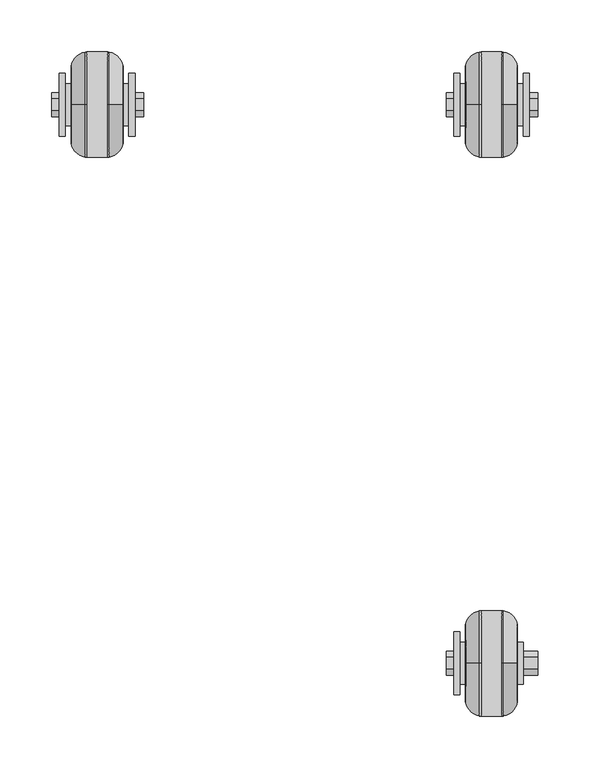
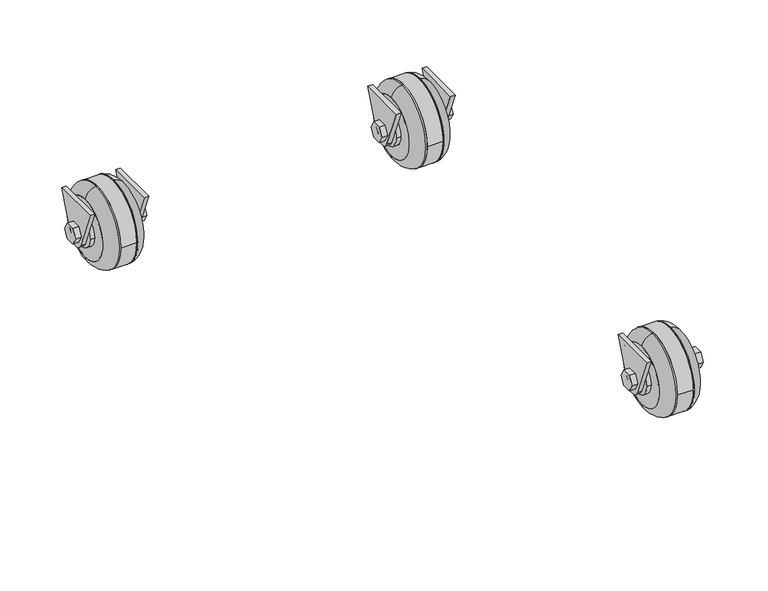
"""IFC4 building model written with IfcOpenShell, lengths in millimetres: proxy geometry."""

from ifc_helpers import new_model, si_unit, point, frame, frame_2d, origin, place, context, project, spatial, polyline, circle_curve, ellipse_curve, trimmed, segment, composite_curve, outline, extrude, source, transform, mapped, element, save
from ifc_brep_helpers import plane_surface, cylinder_surface, revolved_surface, advanced_brep


def specialty_equipment_d74d6e09(model_context):
    return source(origin(), model_context, "Body", "SolidModel", [
        advanced_brep(
        [(159.3510111, -264.6963629, 38.5301868), (159.3510111, -244.0818479, 38.5301868), (159.3510111, -223.9450259, 89.99205), (159.3510111, -284.833185, 89.99205), (159.3510111, -248.5494562, 60.8478792), (159.3510111, -242.709807, 50.7333101), (159.3510111, -248.5494562, 40.618741), (159.3510111, -260.2287546, 40.618741), (159.3510111, -266.0684038, 50.7333101), (159.3510111, -260.2287546, 60.8478792), (153.4709, -264.7060741, 38.525975), (153.4709, -284.833185, 89.99205), (153.4709, -223.9450259, 89.99205), (153.4709, -244.0721367, 38.525975), (153.4709, -248.5494562, 60.8478792), (153.4709, -260.2287546, 60.8478792), (153.4709, -266.0684038, 50.7333101), (153.4709, -260.2287546, 40.618741), (153.4709, -248.5494562, 40.618741), (153.4709, -242.709807, 50.7333101)],
        [
            (0, 1, circle_curve(frame((159.3510111, -254.3891054, 43.0005277), z_axis=(1.0, 0.0, 0.0), x_axis=(0.0, 1.0, 0.0)), 11.2349234)),
            (1, 2),
            (2, 3),
            (3, 0),
            (4, 5),
            (5, 6),
            (6, 7),
            (7, 8),
            (8, 9),
            (9, 4),
            (10, 11),
            (11, 12),
            (12, 13),
            (13, 10, circle_curve(frame((153.4709, -254.3891054, 43.0005277), z_axis=(-1.0, 0.0, 0.0), x_axis=(0.0, 1.0, 0.0)), 11.2349234)),
            (14, 15),
            (15, 16),
            (16, 17),
            (17, 18),
            (18, 19),
            (19, 14),
            (3, 11),
            (10, 0),
            (2, 12),
            (1, 13),
            (9, 15),
            (14, 4),
            (8, 16),
            (7, 17),
            (6, 18),
            (5, 19),
        ],
        [
            plane_surface(frame((159.3510111, -284.833185, 89.99205), z_axis=(1.0, 0.0, 0.0), x_axis=(0.0, -0.36421435293673643, 0.9313151481184414))),
            plane_surface(frame((153.4709, -284.833185, 89.99205), z_axis=(-1.0, 0.0, 0.0), x_axis=(0.0, 0.36421435293673643, -0.9313151481184414))),
            plane_surface(frame((159.3510111, -264.7060741, 38.525975), z_axis=(0.0, -0.9313151481184414, -0.36421435293673643), x_axis=(-1.0, 0.0, 0.0))),
            plane_surface(frame((159.3510111, -284.833185, 89.99205), z_axis=(0.0, 0.0, 1.0), x_axis=(-1.0, 0.0, 0.0))),
            plane_surface(frame((159.3510111, -223.9450259, 89.99205), z_axis=(0.0, 0.9313151481185085, -0.36421435293656496), x_axis=(-1.0, 0.0, 0.0))),
            cylinder_surface(frame((153.4709, -254.3891054, 43.0005277), z_axis=(1.0, 0.0, 0.0), x_axis=(0.0, 1.0, 0.0)), 11.2349234),
            plane_surface(frame((159.3510111, -248.5494562, 60.8478792), z_axis=(0.0, 0.0, -1.0), x_axis=(-1.0, 0.0, 0.0))),
            plane_surface(frame((159.3510111, -260.2287546, 60.8478792), z_axis=(0.0, 0.8660254037843047, -0.5000000000002323), x_axis=(-1.0, 0.0, 0.0))),
            plane_surface(frame((159.3510111, -266.0684038, 50.7333101), z_axis=(0.0, 0.8660254037842656, 0.5000000000002996), x_axis=(-1.0, 0.0, 0.0))),
            plane_surface(frame((159.3510111, -260.2287546, 40.618741), z_axis=(0.0, 0.0, 1.0), x_axis=(-1.0, 0.0, 0.0))),
            plane_surface(frame((159.3510111, -248.5494562, 40.618741), z_axis=(0.0, -0.8660254037842644, 0.5000000000003018), x_axis=(-1.0, 0.0, 0.0))),
            plane_surface(frame((159.3510111, -242.709807, 50.7333101), z_axis=(0.0, -0.8660254037843034, -0.5000000000002345), x_axis=(-1.0, 0.0, 0.0))),
        ],
        [
            (0, [[1, 2, 3, 4], [5, 6, 7, 8, 9, 10]]),
            (1, [[11, 12, 13, 14], [15, 16, 17, 18, 19, 20]]),
            (2, [[21, -11, 22, -4]]),
            (3, [[23, -12, -21, -3]]),
            (4, [[24, -13, -23, -2]]),
            (5, [[-22, -14, -24, -1]]),
            (6, [[25, -15, 26, -10]]),
            (7, [[27, -16, -25, -9]]),
            (8, [[28, -17, -27, -8]]),
            (9, [[29, -18, -28, -7]]),
            (10, [[30, -19, -29, -6]]),
            (11, [[-26, -20, -30, -5]]),
        ],
    ),
        extrude(outline(composite_curve([segment(trimmed(circle_curve(frame_2d((-254.3891054, 50.7333101)), 20.2039105), [point((-274.593016, 50.7333101))], [point((-234.1851949, 50.7333101))], False, "CARTESIAN"), True, "CONTINUOUS"), segment(trimmed(circle_curve(frame_2d((-254.3891054, 50.7333101)), 20.2039105), [point((-234.1851949, 50.7333101))], [point((-274.593016, 50.7333101))], False, "CARTESIAN"), True, "CONTINUOUS")], self_intersect=False)), frame((159.3510111, 0.0, 0.0), z_axis=(1.0, 0.0, 0.0), x_axis=(0.0, 1.0, 0.0)), (0.0, 0.0, 1.0), 61.1531556),
        extrude(outline(polyline([(-242.709807, 50.7333101), (-248.5494562, 40.618741), (-260.2287546, 40.618741), (-266.0684038, 50.7333101), (-260.2287546, 60.8478792), (-248.5494562, 60.8478792), (-242.709807, 50.7333101)])), frame((146.4147667, 0.0, 0.0), z_axis=(1.0, 0.0, 0.0), x_axis=(0.0, 1.0, 0.0)), (0.0, 0.0, 1.0), 88.2016667),
        extrude(outline(composite_curve([segment(trimmed(circle_curve(frame_2d((-254.3891054, 51.17195)), 37.6437333), [point((-254.3891054, 13.5282167))], [point((-254.3891054, 88.8156833))], False, "CARTESIAN"), True, "CONTINUOUS"), segment(trimmed(circle_curve(frame_2d((-254.3891054, 51.17195)), 37.6437333), [point((-254.3891054, 88.8156833))], [point((-254.3891054, 13.5282167))], False, "CARTESIAN"), True, "CONTINUOUS")], self_intersect=False), holes=[composite_curve([segment(trimmed(circle_curve(frame_2d((-254.3891054, 50.7333101)), 20.2039105), [point((-274.593016, 50.7333101))], [point((-234.1851949, 50.7333101))], True, "CARTESIAN"), True, "CONTINUOUS"), segment(trimmed(circle_curve(frame_2d((-254.3891054, 50.7333101)), 20.2039105), [point((-234.1851949, 50.7333101))], [point((-274.593016, 50.7333101))], True, "CARTESIAN"), True, "CONTINUOUS")], self_intersect=False)]), frame((164.9371167, 0.0, 0.0), z_axis=(1.0, 0.0, 0.0), x_axis=(0.0, 1.0, 0.0)), (0.0, 0.0, 1.0), 49.9809444),
        advanced_brep(
        [(214.9180611, -254.3891054, 87.8717833), (201.3938056, -254.3891054, 101.4), (201.3938056, -254.3891054, 0.0), (214.9180611, -254.3891054, 13.5282167), (199.9237778, -254.3891054, 87.8717833), (199.9237778, -254.3891054, 13.5282167), (199.9237778, -254.3891054, 101.4), (199.9237778, -254.3891054, 0.0)],
        [
            (0, 1, circle_curve(frame((199.1270173, -254.3891054, 85.6096194), z_axis=(0.0, -1.0, 0.0), x_axis=(-1.0, 0.0, 0.0)), 15.9522553)),
            (1, 2, circle_curve(frame((201.3938056, -254.3891054, 50.7), z_axis=(1.0, 0.0, 0.0), x_axis=(0.0, 0.0, -1.0)), 50.7)),
            (2, 3, circle_curve(frame((199.1270173, -254.3891054, 15.7903806), z_axis=(0.0, -1.0, 0.0), x_axis=(-1.0, 0.0, 0.0)), 15.9522553)),
            (3, 0, circle_curve(frame((214.9180611, -254.3891054, 50.7), z_axis=(-1.0, 0.0, 0.0), x_axis=(0.0, 0.0, -1.0)), 37.1717833)),
            (2, 1, circle_curve(frame((201.3938056, -254.3891054, 50.7), z_axis=(1.0, 0.0, 0.0), x_axis=(0.0, 0.0, -1.0)), 50.7)),
            (0, 3, circle_curve(frame((214.9180611, -254.3891054, 50.7), z_axis=(-1.0, 0.0, 0.0), x_axis=(0.0, 0.0, -1.0)), 37.1717833)),
            (4, 0),
            (3, 5),
            (5, 4, circle_curve(frame((199.9237778, -254.3891054, 50.7), z_axis=(-1.0, 0.0, 0.0), x_axis=(0.0, 0.0, -1.0)), 37.1717833)),
            (4, 5, circle_curve(frame((199.9237778, -254.3891054, 50.7), z_axis=(-1.0, 0.0, 0.0), x_axis=(0.0, 0.0, -1.0)), 37.1717833)),
            (6, 4),
            (5, 7),
            (7, 6, circle_curve(frame((199.9237778, -254.3891054, 50.7), z_axis=(-1.0, 0.0, 0.0), x_axis=(0.0, 0.0, -1.0)), 50.7)),
            (6, 7, circle_curve(frame((199.9237778, -254.3891054, 50.7), z_axis=(-1.0, 0.0, 0.0), x_axis=(0.0, 0.0, -1.0)), 50.7)),
            (1, 6),
            (7, 2),
        ],
        [
            revolved_surface(trimmed(ellipse_curve(frame((199.1270173, -254.3891054, 15.7903806), z_axis=(0.0, -1.0, 0.0), x_axis=(-1.0, 0.0, 0.0)), 15.9522553, 15.9522553), [point((201.3938056, -254.3891054, 0.0))], [point((214.9180611, -254.3891054, 13.5282167))], True, "CARTESIAN"), (234.6164333, -254.3891054, 50.7), (1.0, 0.0, 0.0)),
            revolved_surface(polyline([(214.9180611, -254.3891054, 13.528216700000002), (199.9237778, -254.3891054, 13.528216700000002)]), (234.6164333, -254.3891054, 50.7), (1.0, 0.0, 0.0)),
            plane_surface(frame((199.9237778, -254.3891054, 50.7), z_axis=(-1.0, 0.0, 0.0), x_axis=(0.0, 0.0, -1.0))),
            cylinder_surface(frame((234.6164333, -254.3891054, 50.7), z_axis=(1.0, 0.0, 0.0), x_axis=(0.0, 0.0, -1.0)), 50.7),
        ],
        [
            (0, [[1, 2, 3, 4]]),
            (0, [[-3, 5, -1, 6]]),
            (1, [[7, -4, 8, 9]]),
            (1, [[-8, -6, -7, 10]]),
            (2, [[11, -9, 12, 13]]),
            (2, [[-12, -10, -11, 14]]),
            (3, [[15, -13, 16, -2]]),
            (3, [[-16, -14, -15, -5]]),
        ],
    ),
        advanced_brep(
        [(179.9314, -254.3891054, 101.4), (178.4613722, -254.3891054, 101.4), (178.4613722, -254.3891054, 0.0), (179.9314, -254.3891054, 0.0), (179.9314, -254.3891054, 87.8717833), (179.9314, -254.3891054, 13.5282167), (164.9371167, -254.3891054, 87.8717833), (164.9371167, -254.3891054, 13.5282167)],
        [
            (0, 1),
            (1, 2, circle_curve(frame((178.4613722, -254.3891054, 50.7), z_axis=(1.0, 0.0, 0.0), x_axis=(0.0, 0.0, -1.0)), 50.7)),
            (2, 3),
            (3, 0, circle_curve(frame((179.9314, -254.3891054, 50.7), z_axis=(-1.0, 0.0, 0.0), x_axis=(0.0, 0.0, -1.0)), 50.7)),
            (2, 1, circle_curve(frame((178.4613722, -254.3891054, 50.7), z_axis=(1.0, 0.0, 0.0), x_axis=(0.0, 0.0, -1.0)), 50.7)),
            (0, 3, circle_curve(frame((179.9314, -254.3891054, 50.7), z_axis=(-1.0, 0.0, 0.0), x_axis=(0.0, 0.0, -1.0)), 50.7)),
            (4, 0),
            (3, 5),
            (5, 4, circle_curve(frame((179.9314, -254.3891054, 50.7), z_axis=(-1.0, 0.0, 0.0), x_axis=(0.0, 0.0, -1.0)), 37.1717833)),
            (4, 5, circle_curve(frame((179.9314, -254.3891054, 50.7), z_axis=(-1.0, 0.0, 0.0), x_axis=(0.0, 0.0, -1.0)), 37.1717833)),
            (6, 4),
            (5, 7),
            (7, 6, circle_curve(frame((164.9371167, -254.3891054, 50.7), z_axis=(-1.0, 0.0, 0.0), x_axis=(0.0, 0.0, -1.0)), 37.1717833)),
            (6, 7, circle_curve(frame((164.9371167, -254.3891054, 50.7), z_axis=(-1.0, 0.0, 0.0), x_axis=(0.0, 0.0, -1.0)), 37.1717833)),
            (1, 6, circle_curve(frame((180.7281604, -254.3891054, 85.6096194), z_axis=(0.0, -1.0, 0.0), x_axis=(1.0, 0.0, 0.0)), 15.9522553)),
            (7, 2, circle_curve(frame((180.7281604, -254.3891054, 15.7903806), z_axis=(0.0, -1.0, 0.0), x_axis=(1.0, 0.0, 0.0)), 15.9522553)),
        ],
        [
            cylinder_surface(frame((234.6164333, -254.3891054, 50.7), z_axis=(1.0, 0.0, 0.0), x_axis=(0.0, 0.0, -1.0)), 50.7),
            plane_surface(frame((179.9314, -254.3891054, 50.7), z_axis=(1.0, 0.0, 0.0), x_axis=(0.0, 0.0, -1.0))),
            revolved_surface(polyline([(179.9314, -254.3891054, 13.528216700000002), (164.9371167, -254.3891054, 13.528216700000002)]), (234.6164333, -254.3891054, 50.7), (1.0, 0.0, 0.0)),
            revolved_surface(trimmed(ellipse_curve(frame((180.7281604, -254.3891054, 15.7903806), z_axis=(0.0, -1.0, 0.0), x_axis=(1.0, 0.0, 0.0)), 15.9522553, 15.9522553), [point((164.9371167, -254.3891054, 13.5282167))], [point((178.4613722, -254.3891054, 0.0))], True, "CARTESIAN"), (234.6164333, -254.3891054, 50.7), (1.0, 0.0, 0.0)),
        ],
        [
            (0, [[1, 2, 3, 4]]),
            (0, [[-3, 5, -1, 6]]),
            (1, [[7, -4, 8, 9]]),
            (1, [[-8, -6, -7, 10]]),
            (2, [[11, -9, 12, 13]]),
            (2, [[-12, -10, -11, 14]]),
            (3, [[15, -13, 16, -2]]),
            (3, [[-16, -14, -15, -5]]),
        ],
    ),
        extrude(outline(composite_curve([segment(trimmed(circle_curve(frame_2d((-254.3891054, 50.7333101)), 50.7275853), [point((-305.1166907, 50.7333101))], [point((-203.6615201, 50.7333101))], False, "CARTESIAN"), True, "CONTINUOUS"), segment(trimmed(circle_curve(frame_2d((-254.3891054, 50.7333101)), 50.7275853), [point((-203.6615201, 50.7333101))], [point((-305.1166907, 50.7333101))], False, "CARTESIAN"), True, "CONTINUOUS")], self_intersect=False), holes=[composite_curve([segment(trimmed(circle_curve(frame_2d((-254.3891054, 50.7333101)), 37.2275853), [point((-291.6166907, 50.7333101))], [point((-217.1615201, 50.7333101))], True, "CARTESIAN"), True, "CONTINUOUS"), segment(trimmed(circle_curve(frame_2d((-254.3891054, 50.7333101)), 37.2275853), [point((-217.1615201, 50.7333101))], [point((-291.6166907, 50.7333101))], True, "CARTESIAN"), True, "CONTINUOUS")], self_intersect=False)]), frame((179.9314, 0.0, 0.0), z_axis=(1.0, 0.0, 0.0), x_axis=(0.0, 1.0, 0.0)), (0.0, 0.0, 1.0), 19.9923778),
        advanced_brep(
        [(-153.4709, 272.8881196, 38.5301868), (-153.4709, 293.5026345, 38.5301868), (-153.4709, 313.6394566, 89.99205), (-153.4709, 252.7512975, 89.99205), (-153.4709, 289.0350263, 60.8478792), (-153.4709, 294.8746755, 50.7333101), (-153.4709, 289.0350263, 40.618741), (-153.4709, 277.3557279, 40.618741), (-153.4709, 271.5160786, 50.7333101), (-153.4709, 277.3557279, 60.8478792), (-159.3510111, 272.8784083, 38.525975), (-159.3510111, 252.7512975, 89.99205), (-159.3510111, 313.6394566, 89.99205), (-159.3510111, 293.5123458, 38.525975), (-159.3510111, 289.0350263, 60.8478792), (-159.3510111, 277.3557279, 60.8478792), (-159.3510111, 271.5160786, 50.7333101), (-159.3510111, 277.3557279, 40.618741), (-159.3510111, 289.0350263, 40.618741), (-159.3510111, 294.8746755, 50.7333101)],
        [
            (0, 1, circle_curve(frame((-153.4709, 283.1953771, 43.0005277), z_axis=(1.0, 0.0, 0.0), x_axis=(0.0, 1.0, 0.0)), 11.2349234)),
            (1, 2),
            (2, 3),
            (3, 0),
            (4, 5),
            (5, 6),
            (6, 7),
            (7, 8),
            (8, 9),
            (9, 4),
            (10, 11),
            (11, 12),
            (12, 13),
            (13, 10, circle_curve(frame((-159.3510111, 283.1953771, 43.0005277), z_axis=(-1.0, 0.0, 0.0), x_axis=(0.0, 1.0, 0.0)), 11.2349234)),
            (14, 15),
            (15, 16),
            (16, 17),
            (17, 18),
            (18, 19),
            (19, 14),
            (3, 11),
            (10, 0),
            (2, 12),
            (1, 13),
            (9, 15),
            (14, 4),
            (8, 16),
            (7, 17),
            (6, 18),
            (5, 19),
        ],
        [
            plane_surface(frame((-153.4709, 252.7512975, 89.99205), z_axis=(1.0, 0.0, 0.0), x_axis=(0.0, -0.36421435293673643, 0.9313151481184414))),
            plane_surface(frame((-159.3510111, 252.7512975, 89.99205), z_axis=(-1.0, 0.0, 0.0), x_axis=(0.0, 0.36421435293673643, -0.9313151481184414))),
            plane_surface(frame((-153.4709, 272.8784083, 38.525975), z_axis=(0.0, -0.9313151481184414, -0.36421435293673643), x_axis=(-1.0, 0.0, 0.0))),
            plane_surface(frame((-153.4709, 252.7512975, 89.99205), z_axis=(0.0, 0.0, 1.0), x_axis=(-1.0, 0.0, 0.0))),
            plane_surface(frame((-153.4709, 313.6394566, 89.99205), z_axis=(0.0, 0.9313151481185085, -0.36421435293656496), x_axis=(-1.0, 0.0, 0.0))),
            cylinder_surface(frame((-159.3510111, 283.1953771, 43.0005277), z_axis=(1.0, 0.0, 0.0), x_axis=(0.0, 1.0, 0.0)), 11.2349234),
            plane_surface(frame((-153.4709, 289.0350263, 60.8478792), z_axis=(0.0, 0.0, -1.0), x_axis=(-1.0, 0.0, 0.0))),
            plane_surface(frame((-153.4709, 277.3557279, 60.8478792), z_axis=(0.0, 0.8660254037843047, -0.5000000000002323), x_axis=(-1.0, 0.0, 0.0))),
            plane_surface(frame((-153.4709, 271.5160786, 50.7333101), z_axis=(0.0, 0.8660254037842656, 0.5000000000002996), x_axis=(-1.0, 0.0, 0.0))),
            plane_surface(frame((-153.4709, 277.3557279, 40.618741), z_axis=(0.0, 0.0, 1.0), x_axis=(-1.0, 0.0, 0.0))),
            plane_surface(frame((-153.4709, 289.0350263, 40.618741), z_axis=(0.0, -0.8660254037842644, 0.5000000000003018), x_axis=(-1.0, 0.0, 0.0))),
            plane_surface(frame((-153.4709, 294.8746755, 50.7333101), z_axis=(0.0, -0.8660254037843034, -0.5000000000002345), x_axis=(-1.0, 0.0, 0.0))),
        ],
        [
            (0, [[1, 2, 3, 4], [5, 6, 7, 8, 9, 10]]),
            (1, [[11, 12, 13, 14], [15, 16, 17, 18, 19, 20]]),
            (2, [[21, -11, 22, -4]]),
            (3, [[23, -12, -21, -3]]),
            (4, [[24, -13, -23, -2]]),
            (5, [[-22, -14, -24, -1]]),
            (6, [[25, -15, 26, -10]]),
            (7, [[27, -16, -25, -9]]),
            (8, [[28, -17, -27, -8]]),
            (9, [[29, -18, -28, -7]]),
            (10, [[30, -19, -29, -6]]),
            (11, [[-26, -20, -30, -5]]),
        ],
    ),
        advanced_brep(
        [(-220.5041667, 272.8881196, 38.5301868), (-220.5041667, 293.5026345, 38.5301868), (-220.5041667, 313.6394566, 89.99205), (-220.5041667, 252.7512975, 89.99205), (-220.5041667, 289.0350263, 60.8478792), (-220.5041667, 294.8746755, 50.7333101), (-220.5041667, 289.0350263, 40.618741), (-220.5041667, 277.3557279, 40.618741), (-220.5041667, 271.5160786, 50.7333101), (-220.5041667, 277.3557279, 60.8478792), (-226.3842778, 272.8784083, 38.525975), (-226.3842778, 252.7512975, 89.99205), (-226.3842778, 313.6394566, 89.99205), (-226.3842778, 293.5123458, 38.525975), (-226.3842778, 289.0350263, 60.8478792), (-226.3842778, 277.3557279, 60.8478792), (-226.3842778, 271.5160786, 50.7333101), (-226.3842778, 277.3557279, 40.618741), (-226.3842778, 289.0350263, 40.618741), (-226.3842778, 294.8746755, 50.7333101)],
        [
            (0, 1, circle_curve(frame((-220.5041667, 283.1953771, 43.0005277), z_axis=(1.0, 0.0, 0.0), x_axis=(0.0, 1.0, 0.0)), 11.2349234)),
            (1, 2),
            (2, 3),
            (3, 0),
            (4, 5),
            (5, 6),
            (6, 7),
            (7, 8),
            (8, 9),
            (9, 4),
            (10, 11),
            (11, 12),
            (12, 13),
            (13, 10, circle_curve(frame((-226.3842778, 283.1953771, 43.0005277), z_axis=(-1.0, 0.0, 0.0), x_axis=(0.0, 1.0, 0.0)), 11.2349234)),
            (14, 15),
            (15, 16),
            (16, 17),
            (17, 18),
            (18, 19),
            (19, 14),
            (3, 11),
            (10, 0),
            (2, 12),
            (1, 13),
            (9, 15),
            (14, 4),
            (8, 16),
            (7, 17),
            (6, 18),
            (5, 19),
        ],
        [
            plane_surface(frame((-220.5041667, 252.7512975, 89.99205), z_axis=(1.0, 0.0, 0.0), x_axis=(0.0, -0.36421435293673643, 0.9313151481184414))),
            plane_surface(frame((-226.3842778, 252.7512975, 89.99205), z_axis=(-1.0, 0.0, 0.0), x_axis=(0.0, 0.36421435293673643, -0.9313151481184414))),
            plane_surface(frame((-220.5041667, 272.8784083, 38.525975), z_axis=(0.0, -0.9313151481184414, -0.36421435293673643), x_axis=(-1.0, 0.0, 0.0))),
            plane_surface(frame((-220.5041667, 252.7512975, 89.99205), z_axis=(0.0, 0.0, 1.0), x_axis=(-1.0, 0.0, 0.0))),
            plane_surface(frame((-220.5041667, 313.6394566, 89.99205), z_axis=(0.0, 0.9313151481185085, -0.36421435293656496), x_axis=(-1.0, 0.0, 0.0))),
            cylinder_surface(frame((-226.3842778, 283.1953771, 43.0005277), z_axis=(1.0, 0.0, 0.0), x_axis=(0.0, 1.0, 0.0)), 11.2349234),
            plane_surface(frame((-220.5041667, 289.0350263, 60.8478792), z_axis=(0.0, 0.0, -1.0), x_axis=(-1.0, 0.0, 0.0))),
            plane_surface(frame((-220.5041667, 277.3557279, 60.8478792), z_axis=(0.0, 0.8660254037843047, -0.5000000000002323), x_axis=(-1.0, 0.0, 0.0))),
            plane_surface(frame((-220.5041667, 271.5160786, 50.7333101), z_axis=(0.0, 0.8660254037842656, 0.5000000000002996), x_axis=(-1.0, 0.0, 0.0))),
            plane_surface(frame((-220.5041667, 277.3557279, 40.618741), z_axis=(0.0, 0.0, 1.0), x_axis=(-1.0, 0.0, 0.0))),
            plane_surface(frame((-220.5041667, 289.0350263, 40.618741), z_axis=(0.0, -0.8660254037842644, 0.5000000000003018), x_axis=(-1.0, 0.0, 0.0))),
            plane_surface(frame((-220.5041667, 294.8746755, 50.7333101), z_axis=(0.0, -0.8660254037843034, -0.5000000000002345), x_axis=(-1.0, 0.0, 0.0))),
        ],
        [
            (0, [[1, 2, 3, 4], [5, 6, 7, 8, 9, 10]]),
            (1, [[11, 12, 13, 14], [15, 16, 17, 18, 19, 20]]),
            (2, [[21, -11, 22, -4]]),
            (3, [[23, -12, -21, -3]]),
            (4, [[24, -13, -23, -2]]),
            (5, [[-22, -14, -24, -1]]),
            (6, [[25, -15, 26, -10]]),
            (7, [[27, -16, -25, -9]]),
            (8, [[28, -17, -27, -8]]),
            (9, [[29, -18, -28, -7]]),
            (10, [[30, -19, -29, -6]]),
            (11, [[-26, -20, -30, -5]]),
        ],
    ),
        extrude(outline(composite_curve([segment(trimmed(circle_curve(frame_2d((283.1953771, 50.7333101)), 20.2039105), [point((262.9914665, 50.7333101))], [point((303.3992876, 50.7333101))], False, "CARTESIAN"), True, "CONTINUOUS"), segment(trimmed(circle_curve(frame_2d((283.1953771, 50.7333101)), 20.2039105), [point((303.3992876, 50.7333101))], [point((262.9914665, 50.7333101))], False, "CARTESIAN"), True, "CONTINUOUS")], self_intersect=False)), frame((-220.5041667, 0.0, 0.0), z_axis=(1.0, 0.0, 0.0), x_axis=(0.0, 1.0, 0.0)), (0.0, 0.0, 1.0), 61.1531556),
        extrude(outline(polyline([(294.8746755, 50.7333101), (289.0350263, 40.618741), (277.3557279, 40.618741), (271.5160786, 50.7333101), (277.3557279, 60.8478792), (289.0350263, 60.8478792), (294.8746755, 50.7333101)])), frame((-233.4404111, 0.0, 0.0), z_axis=(1.0, 0.0, 0.0), x_axis=(0.0, 1.0, 0.0)), (0.0, 0.0, 1.0), 88.2016667),
        extrude(outline(composite_curve([segment(trimmed(circle_curve(frame_2d((283.1953771, 51.17195)), 37.6437333), [point((283.1953771, 13.5282167))], [point((283.1953771, 88.8156833))], False, "CARTESIAN"), True, "CONTINUOUS"), segment(trimmed(circle_curve(frame_2d((283.1953771, 51.17195)), 37.6437333), [point((283.1953771, 88.8156833))], [point((283.1953771, 13.5282167))], False, "CARTESIAN"), True, "CONTINUOUS")], self_intersect=False), holes=[composite_curve([segment(trimmed(circle_curve(frame_2d((283.1953771, 50.7333101)), 20.2039105), [point((262.9914665, 50.7333101))], [point((303.3992876, 50.7333101))], True, "CARTESIAN"), True, "CONTINUOUS"), segment(trimmed(circle_curve(frame_2d((283.1953771, 50.7333101)), 20.2039105), [point((303.3992876, 50.7333101))], [point((262.9914665, 50.7333101))], True, "CARTESIAN"), True, "CONTINUOUS")], self_intersect=False)]), frame((-214.9180611, 0.0, 0.0), z_axis=(1.0, 0.0, 0.0), x_axis=(0.0, 1.0, 0.0)), (0.0, 0.0, 1.0), 49.9809444),
        advanced_brep(
        [(-164.9371167, 283.1953771, 87.8717833), (-178.4613722, 283.1953771, 101.4), (-178.4613722, 283.1953771, 0.0), (-164.9371167, 283.1953771, 13.5282167), (-179.9314, 283.1953771, 87.8717833), (-179.9314, 283.1953771, 13.5282167), (-179.9314, 283.1953771, 101.4), (-179.9314, 283.1953771, 0.0)],
        [
            (0, 1, circle_curve(frame((-180.7281604, 283.1953771, 85.6096194), z_axis=(0.0, -1.0, 0.0), x_axis=(-1.0, 0.0, 0.0)), 15.9522553)),
            (1, 2, circle_curve(frame((-178.4613722, 283.1953771, 50.7), z_axis=(1.0, 0.0, 0.0), x_axis=(0.0, 0.0, -1.0)), 50.7)),
            (2, 3, circle_curve(frame((-180.7281604, 283.1953771, 15.7903806), z_axis=(0.0, -1.0, 0.0), x_axis=(-1.0, 0.0, 0.0)), 15.9522553)),
            (3, 0, circle_curve(frame((-164.9371167, 283.1953771, 50.7), z_axis=(-1.0, 0.0, 0.0), x_axis=(0.0, 0.0, -1.0)), 37.1717833)),
            (2, 1, circle_curve(frame((-178.4613722, 283.1953771, 50.7), z_axis=(1.0, 0.0, 0.0), x_axis=(0.0, 0.0, -1.0)), 50.7)),
            (0, 3, circle_curve(frame((-164.9371167, 283.1953771, 50.7), z_axis=(-1.0, 0.0, 0.0), x_axis=(0.0, 0.0, -1.0)), 37.1717833)),
            (4, 0),
            (3, 5),
            (5, 4, circle_curve(frame((-179.9314, 283.1953771, 50.7), z_axis=(-1.0, 0.0, 0.0), x_axis=(0.0, 0.0, -1.0)), 37.1717833)),
            (4, 5, circle_curve(frame((-179.9314, 283.1953771, 50.7), z_axis=(-1.0, 0.0, 0.0), x_axis=(0.0, 0.0, -1.0)), 37.1717833)),
            (6, 4),
            (5, 7),
            (7, 6, circle_curve(frame((-179.9314, 283.1953771, 50.7), z_axis=(-1.0, 0.0, 0.0), x_axis=(0.0, 0.0, -1.0)), 50.7)),
            (6, 7, circle_curve(frame((-179.9314, 283.1953771, 50.7), z_axis=(-1.0, 0.0, 0.0), x_axis=(0.0, 0.0, -1.0)), 50.7)),
            (1, 6),
            (7, 2),
        ],
        [
            revolved_surface(trimmed(ellipse_curve(frame((-180.7281604, 283.1953771, 15.7903806), z_axis=(0.0, -1.0, 0.0), x_axis=(-1.0, 0.0, 0.0)), 15.9522553, 15.9522553), [point((-178.4613722, 283.1953771, 0.0))], [point((-164.9371167, 283.1953771, 13.5282167))], True, "CARTESIAN"), (-145.2387444, 283.1953771, 50.7), (1.0, 0.0, 0.0)),
            revolved_surface(polyline([(-164.9371167, 283.1953771, 13.528216700000002), (-179.9314, 283.1953771, 13.528216700000002)]), (-145.2387444, 283.1953771, 50.7), (1.0, 0.0, 0.0)),
            plane_surface(frame((-179.9314, 283.1953771, 50.7), z_axis=(-1.0, 0.0, 0.0), x_axis=(0.0, 0.0, -1.0))),
            cylinder_surface(frame((-145.2387444, 283.1953771, 50.7), z_axis=(1.0, 0.0, 0.0), x_axis=(0.0, 0.0, -1.0)), 50.7),
        ],
        [
            (0, [[1, 2, 3, 4]]),
            (0, [[-3, 5, -1, 6]]),
            (1, [[7, -4, 8, 9]]),
            (1, [[-8, -6, -7, 10]]),
            (2, [[11, -9, 12, 13]]),
            (2, [[-12, -10, -11, 14]]),
            (3, [[15, -13, 16, -2]]),
            (3, [[-16, -14, -15, -5]]),
        ],
    ),
        advanced_brep(
        [(-199.9237778, 283.1953771, 101.4), (-201.3938056, 283.1953771, 101.4), (-201.3938056, 283.1953771, 0.0), (-199.9237778, 283.1953771, 0.0), (-199.9237778, 283.1953771, 87.8717833), (-199.9237778, 283.1953771, 13.5282167), (-214.9180611, 283.1953771, 87.8717833), (-214.9180611, 283.1953771, 13.5282167)],
        [
            (0, 1),
            (1, 2, circle_curve(frame((-201.3938056, 283.1953771, 50.7), z_axis=(1.0, 0.0, 0.0), x_axis=(0.0, 0.0, -1.0)), 50.7)),
            (2, 3),
            (3, 0, circle_curve(frame((-199.9237778, 283.1953771, 50.7), z_axis=(-1.0, 0.0, 0.0), x_axis=(0.0, 0.0, -1.0)), 50.7)),
            (2, 1, circle_curve(frame((-201.3938056, 283.1953771, 50.7), z_axis=(1.0, 0.0, 0.0), x_axis=(0.0, 0.0, -1.0)), 50.7)),
            (0, 3, circle_curve(frame((-199.9237778, 283.1953771, 50.7), z_axis=(-1.0, 0.0, 0.0), x_axis=(0.0, 0.0, -1.0)), 50.7)),
            (4, 0),
            (3, 5),
            (5, 4, circle_curve(frame((-199.9237778, 283.1953771, 50.7), z_axis=(-1.0, 0.0, 0.0), x_axis=(0.0, 0.0, -1.0)), 37.1717833)),
            (4, 5, circle_curve(frame((-199.9237778, 283.1953771, 50.7), z_axis=(-1.0, 0.0, 0.0), x_axis=(0.0, 0.0, -1.0)), 37.1717833)),
            (6, 4),
            (5, 7),
            (7, 6, circle_curve(frame((-214.9180611, 283.1953771, 50.7), z_axis=(-1.0, 0.0, 0.0), x_axis=(0.0, 0.0, -1.0)), 37.1717833)),
            (6, 7, circle_curve(frame((-214.9180611, 283.1953771, 50.7), z_axis=(-1.0, 0.0, 0.0), x_axis=(0.0, 0.0, -1.0)), 37.1717833)),
            (1, 6, circle_curve(frame((-199.1270173, 283.1953771, 85.6096194), z_axis=(0.0, -1.0, 0.0), x_axis=(1.0, 0.0, 0.0)), 15.9522553)),
            (7, 2, circle_curve(frame((-199.1270173, 283.1953771, 15.7903806), z_axis=(0.0, -1.0, 0.0), x_axis=(1.0, 0.0, 0.0)), 15.9522553)),
        ],
        [
            cylinder_surface(frame((-145.2387444, 283.1953771, 50.7), z_axis=(1.0, 0.0, 0.0), x_axis=(0.0, 0.0, -1.0)), 50.7),
            plane_surface(frame((-199.9237778, 283.1953771, 50.7), z_axis=(1.0, 0.0, 0.0), x_axis=(0.0, 0.0, -1.0))),
            revolved_surface(polyline([(-199.9237778, 283.1953771, 13.528216700000002), (-214.9180611, 283.1953771, 13.528216700000002)]), (-145.2387444, 283.1953771, 50.7), (1.0, 0.0, 0.0)),
            revolved_surface(trimmed(ellipse_curve(frame((-199.1270173, 283.1953771, 15.7903806), z_axis=(0.0, -1.0, 0.0), x_axis=(1.0, 0.0, 0.0)), 15.9522553, 15.9522553), [point((-214.9180611, 283.1953771, 13.5282167))], [point((-201.3938056, 283.1953771, 0.0))], True, "CARTESIAN"), (-145.2387444, 283.1953771, 50.7), (1.0, 0.0, 0.0)),
        ],
        [
            (0, [[1, 2, 3, 4]]),
            (0, [[-3, 5, -1, 6]]),
            (1, [[7, -4, 8, 9]]),
            (1, [[-8, -6, -7, 10]]),
            (2, [[11, -9, 12, 13]]),
            (2, [[-12, -10, -11, 14]]),
            (3, [[15, -13, 16, -2]]),
            (3, [[-16, -14, -15, -5]]),
        ],
    ),
        extrude(outline(composite_curve([segment(trimmed(circle_curve(frame_2d((283.1953771, 50.7333101)), 50.7275853), [point((232.4677918, 50.7333101))], [point((333.9229623, 50.7333101))], False, "CARTESIAN"), True, "CONTINUOUS"), segment(trimmed(circle_curve(frame_2d((283.1953771, 50.7333101)), 50.7275853), [point((333.9229623, 50.7333101))], [point((232.4677918, 50.7333101))], False, "CARTESIAN"), True, "CONTINUOUS")], self_intersect=False), holes=[composite_curve([segment(trimmed(circle_curve(frame_2d((283.1953771, 50.7333101)), 37.2275853), [point((245.9677918, 50.7333101))], [point((320.4229623, 50.7333101))], True, "CARTESIAN"), True, "CONTINUOUS"), segment(trimmed(circle_curve(frame_2d((283.1953771, 50.7333101)), 37.2275853), [point((320.4229623, 50.7333101))], [point((245.9677918, 50.7333101))], True, "CARTESIAN"), True, "CONTINUOUS")], self_intersect=False)]), frame((-199.9237778, 0.0, 0.0), z_axis=(1.0, 0.0, 0.0), x_axis=(0.0, 1.0, 0.0)), (0.0, 0.0, 1.0), 19.9923778),
        advanced_brep(
        [(226.3842778, 272.8881196, 38.5301868), (226.3842778, 293.5026345, 38.5301868), (226.3842778, 313.6394566, 89.99205), (226.3842778, 252.7512975, 89.99205), (226.3842778, 289.0350263, 60.8478792), (226.3842778, 294.8746755, 50.7333101), (226.3842778, 289.0350263, 40.618741), (226.3842778, 277.3557279, 40.618741), (226.3842778, 271.5160786, 50.7333101), (226.3842778, 277.3557279, 60.8478792), (220.5041667, 272.8784083, 38.525975), (220.5041667, 252.7512975, 89.99205), (220.5041667, 313.6394566, 89.99205), (220.5041667, 293.5123458, 38.525975), (220.5041667, 289.0350263, 60.8478792), (220.5041667, 277.3557279, 60.8478792), (220.5041667, 271.5160786, 50.7333101), (220.5041667, 277.3557279, 40.618741), (220.5041667, 289.0350263, 40.618741), (220.5041667, 294.8746755, 50.7333101)],
        [
            (0, 1, circle_curve(frame((226.3842778, 283.1953771, 43.0005277), z_axis=(1.0, 0.0, 0.0), x_axis=(0.0, 1.0, 0.0)), 11.2349234)),
            (1, 2),
            (2, 3),
            (3, 0),
            (4, 5),
            (5, 6),
            (6, 7),
            (7, 8),
            (8, 9),
            (9, 4),
            (10, 11),
            (11, 12),
            (12, 13),
            (13, 10, circle_curve(frame((220.5041667, 283.1953771, 43.0005277), z_axis=(-1.0, 0.0, 0.0), x_axis=(0.0, 1.0, 0.0)), 11.2349234)),
            (14, 15),
            (15, 16),
            (16, 17),
            (17, 18),
            (18, 19),
            (19, 14),
            (3, 11),
            (10, 0),
            (2, 12),
            (1, 13),
            (9, 15),
            (14, 4),
            (8, 16),
            (7, 17),
            (6, 18),
            (5, 19),
        ],
        [
            plane_surface(frame((226.3842778, 252.7512975, 89.99205), z_axis=(1.0, 0.0, 0.0), x_axis=(0.0, -0.36421435293673643, 0.9313151481184414))),
            plane_surface(frame((220.5041667, 252.7512975, 89.99205), z_axis=(-1.0, 0.0, 0.0), x_axis=(0.0, 0.36421435293673643, -0.9313151481184414))),
            plane_surface(frame((226.3842778, 272.8784083, 38.525975), z_axis=(0.0, -0.9313151481184414, -0.36421435293673643), x_axis=(-1.0, 0.0, 0.0))),
            plane_surface(frame((226.3842778, 252.7512975, 89.99205), z_axis=(0.0, 0.0, 1.0), x_axis=(-1.0, 0.0, 0.0))),
            plane_surface(frame((226.3842778, 313.6394566, 89.99205), z_axis=(0.0, 0.9313151481185085, -0.36421435293656496), x_axis=(-1.0, 0.0, 0.0))),
            cylinder_surface(frame((220.5041667, 283.1953771, 43.0005277), z_axis=(1.0, 0.0, 0.0), x_axis=(0.0, 1.0, 0.0)), 11.2349234),
            plane_surface(frame((226.3842778, 289.0350263, 60.8478792), z_axis=(0.0, 0.0, -1.0), x_axis=(-1.0, 0.0, 0.0))),
            plane_surface(frame((226.3842778, 277.3557279, 60.8478792), z_axis=(0.0, 0.8660254037843047, -0.5000000000002323), x_axis=(-1.0, 0.0, 0.0))),
            plane_surface(frame((226.3842778, 271.5160786, 50.7333101), z_axis=(0.0, 0.8660254037842656, 0.5000000000002996), x_axis=(-1.0, 0.0, 0.0))),
            plane_surface(frame((226.3842778, 277.3557279, 40.618741), z_axis=(0.0, 0.0, 1.0), x_axis=(-1.0, 0.0, 0.0))),
            plane_surface(frame((226.3842778, 289.0350263, 40.618741), z_axis=(0.0, -0.8660254037842644, 0.5000000000003018), x_axis=(-1.0, 0.0, 0.0))),
            plane_surface(frame((226.3842778, 294.8746755, 50.7333101), z_axis=(0.0, -0.8660254037843034, -0.5000000000002345), x_axis=(-1.0, 0.0, 0.0))),
        ],
        [
            (0, [[1, 2, 3, 4], [5, 6, 7, 8, 9, 10]]),
            (1, [[11, 12, 13, 14], [15, 16, 17, 18, 19, 20]]),
            (2, [[21, -11, 22, -4]]),
            (3, [[23, -12, -21, -3]]),
            (4, [[24, -13, -23, -2]]),
            (5, [[-22, -14, -24, -1]]),
            (6, [[25, -15, 26, -10]]),
            (7, [[27, -16, -25, -9]]),
            (8, [[28, -17, -27, -8]]),
            (9, [[29, -18, -28, -7]]),
            (10, [[30, -19, -29, -6]]),
            (11, [[-26, -20, -30, -5]]),
        ],
    ),
        advanced_brep(
        [(159.3510111, 272.8881196, 38.5301868), (159.3510111, 293.5026345, 38.5301868), (159.3510111, 313.6394566, 89.99205), (159.3510111, 252.7512975, 89.99205), (159.3510111, 289.0350263, 60.8478792), (159.3510111, 294.8746755, 50.7333101), (159.3510111, 289.0350263, 40.618741), (159.3510111, 277.3557279, 40.618741), (159.3510111, 271.5160786, 50.7333101), (159.3510111, 277.3557279, 60.8478792), (153.4709, 272.8784083, 38.525975), (153.4709, 252.7512975, 89.99205), (153.4709, 313.6394566, 89.99205), (153.4709, 293.5123458, 38.525975), (153.4709, 289.0350263, 60.8478792), (153.4709, 277.3557279, 60.8478792), (153.4709, 271.5160786, 50.7333101), (153.4709, 277.3557279, 40.618741), (153.4709, 289.0350263, 40.618741), (153.4709, 294.8746755, 50.7333101)],
        [
            (0, 1, circle_curve(frame((159.3510111, 283.1953771, 43.0005277), z_axis=(1.0, 0.0, 0.0), x_axis=(0.0, 1.0, 0.0)), 11.2349234)),
            (1, 2),
            (2, 3),
            (3, 0),
            (4, 5),
            (5, 6),
            (6, 7),
            (7, 8),
            (8, 9),
            (9, 4),
            (10, 11),
            (11, 12),
            (12, 13),
            (13, 10, circle_curve(frame((153.4709, 283.1953771, 43.0005277), z_axis=(-1.0, 0.0, 0.0), x_axis=(0.0, 1.0, 0.0)), 11.2349234)),
            (14, 15),
            (15, 16),
            (16, 17),
            (17, 18),
            (18, 19),
            (19, 14),
            (3, 11),
            (10, 0),
            (2, 12),
            (1, 13),
            (9, 15),
            (14, 4),
            (8, 16),
            (7, 17),
            (6, 18),
            (5, 19),
        ],
        [
            plane_surface(frame((159.3510111, 252.7512975, 89.99205), z_axis=(1.0, 0.0, 0.0), x_axis=(0.0, -0.36421435293673643, 0.9313151481184414))),
            plane_surface(frame((153.4709, 252.7512975, 89.99205), z_axis=(-1.0, 0.0, 0.0), x_axis=(0.0, 0.36421435293673643, -0.9313151481184414))),
            plane_surface(frame((159.3510111, 272.8784083, 38.525975), z_axis=(0.0, -0.9313151481184414, -0.36421435293673643), x_axis=(-1.0, 0.0, 0.0))),
            plane_surface(frame((159.3510111, 252.7512975, 89.99205), z_axis=(0.0, 0.0, 1.0), x_axis=(-1.0, 0.0, 0.0))),
            plane_surface(frame((159.3510111, 313.6394566, 89.99205), z_axis=(0.0, 0.9313151481185085, -0.36421435293656496), x_axis=(-1.0, 0.0, 0.0))),
            cylinder_surface(frame((153.4709, 283.1953771, 43.0005277), z_axis=(1.0, 0.0, 0.0), x_axis=(0.0, 1.0, 0.0)), 11.2349234),
            plane_surface(frame((159.3510111, 289.0350263, 60.8478792), z_axis=(0.0, 0.0, -1.0), x_axis=(-1.0, 0.0, 0.0))),
            plane_surface(frame((159.3510111, 277.3557279, 60.8478792), z_axis=(0.0, 0.8660254037843047, -0.5000000000002323), x_axis=(-1.0, 0.0, 0.0))),
            plane_surface(frame((159.3510111, 271.5160786, 50.7333101), z_axis=(0.0, 0.8660254037842656, 0.5000000000002996), x_axis=(-1.0, 0.0, 0.0))),
            plane_surface(frame((159.3510111, 277.3557279, 40.618741), z_axis=(0.0, 0.0, 1.0), x_axis=(-1.0, 0.0, 0.0))),
            plane_surface(frame((159.3510111, 289.0350263, 40.618741), z_axis=(0.0, -0.8660254037842644, 0.5000000000003018), x_axis=(-1.0, 0.0, 0.0))),
            plane_surface(frame((159.3510111, 294.8746755, 50.7333101), z_axis=(0.0, -0.8660254037843034, -0.5000000000002345), x_axis=(-1.0, 0.0, 0.0))),
        ],
        [
            (0, [[1, 2, 3, 4], [5, 6, 7, 8, 9, 10]]),
            (1, [[11, 12, 13, 14], [15, 16, 17, 18, 19, 20]]),
            (2, [[21, -11, 22, -4]]),
            (3, [[23, -12, -21, -3]]),
            (4, [[24, -13, -23, -2]]),
            (5, [[-22, -14, -24, -1]]),
            (6, [[25, -15, 26, -10]]),
            (7, [[27, -16, -25, -9]]),
            (8, [[28, -17, -27, -8]]),
            (9, [[29, -18, -28, -7]]),
            (10, [[30, -19, -29, -6]]),
            (11, [[-26, -20, -30, -5]]),
        ],
    ),
        extrude(outline(composite_curve([segment(trimmed(circle_curve(frame_2d((283.1953771, 50.7333101)), 20.2039105), [point((262.9914665, 50.7333101))], [point((303.3992876, 50.7333101))], False, "CARTESIAN"), True, "CONTINUOUS"), segment(trimmed(circle_curve(frame_2d((283.1953771, 50.7333101)), 20.2039105), [point((303.3992876, 50.7333101))], [point((262.9914665, 50.7333101))], False, "CARTESIAN"), True, "CONTINUOUS")], self_intersect=False)), frame((159.3510111, 0.0, 0.0), z_axis=(1.0, 0.0, 0.0), x_axis=(0.0, 1.0, 0.0)), (0.0, 0.0, 1.0), 61.1531556),
        extrude(outline(polyline([(294.8746755, 50.7333101), (289.0350263, 40.618741), (277.3557279, 40.618741), (271.5160786, 50.7333101), (277.3557279, 60.8478792), (289.0350263, 60.8478792), (294.8746755, 50.7333101)])), frame((146.4147667, 0.0, 0.0), z_axis=(1.0, 0.0, 0.0), x_axis=(0.0, 1.0, 0.0)), (0.0, 0.0, 1.0), 88.2016667),
        extrude(outline(composite_curve([segment(trimmed(circle_curve(frame_2d((283.1953771, 51.17195)), 37.6437333), [point((283.1953771, 13.5282167))], [point((283.1953771, 88.8156833))], False, "CARTESIAN"), True, "CONTINUOUS"), segment(trimmed(circle_curve(frame_2d((283.1953771, 51.17195)), 37.6437333), [point((283.1953771, 88.8156833))], [point((283.1953771, 13.5282167))], False, "CARTESIAN"), True, "CONTINUOUS")], self_intersect=False), holes=[composite_curve([segment(trimmed(circle_curve(frame_2d((283.1953771, 50.7333101)), 20.2039105), [point((262.9914665, 50.7333101))], [point((303.3992876, 50.7333101))], True, "CARTESIAN"), True, "CONTINUOUS"), segment(trimmed(circle_curve(frame_2d((283.1953771, 50.7333101)), 20.2039105), [point((303.3992876, 50.7333101))], [point((262.9914665, 50.7333101))], True, "CARTESIAN"), True, "CONTINUOUS")], self_intersect=False)]), frame((164.9371167, 0.0, 0.0), z_axis=(1.0, 0.0, 0.0), x_axis=(0.0, 1.0, 0.0)), (0.0, 0.0, 1.0), 49.9809444),
        advanced_brep(
        [(214.9180611, 283.1953771, 87.8717833), (201.3938056, 283.1953771, 101.4), (201.3938056, 283.1953771, 0.0), (214.9180611, 283.1953771, 13.5282167), (199.9237778, 283.1953771, 87.8717833), (199.9237778, 283.1953771, 13.5282167), (199.9237778, 283.1953771, 101.4), (199.9237778, 283.1953771, 0.0)],
        [
            (0, 1, circle_curve(frame((199.1270173, 283.1953771, 85.6096194), z_axis=(0.0, -1.0, 0.0), x_axis=(-1.0, 0.0, 0.0)), 15.9522553)),
            (1, 2, circle_curve(frame((201.3938056, 283.1953771, 50.7), z_axis=(1.0, 0.0, 0.0), x_axis=(0.0, 0.0, -1.0)), 50.7)),
            (2, 3, circle_curve(frame((199.1270173, 283.1953771, 15.7903806), z_axis=(0.0, -1.0, 0.0), x_axis=(-1.0, 0.0, 0.0)), 15.9522553)),
            (3, 0, circle_curve(frame((214.9180611, 283.1953771, 50.7), z_axis=(-1.0, 0.0, 0.0), x_axis=(0.0, 0.0, -1.0)), 37.1717833)),
            (2, 1, circle_curve(frame((201.3938056, 283.1953771, 50.7), z_axis=(1.0, 0.0, 0.0), x_axis=(0.0, 0.0, -1.0)), 50.7)),
            (0, 3, circle_curve(frame((214.9180611, 283.1953771, 50.7), z_axis=(-1.0, 0.0, 0.0), x_axis=(0.0, 0.0, -1.0)), 37.1717833)),
            (4, 0),
            (3, 5),
            (5, 4, circle_curve(frame((199.9237778, 283.1953771, 50.7), z_axis=(-1.0, 0.0, 0.0), x_axis=(0.0, 0.0, -1.0)), 37.1717833)),
            (4, 5, circle_curve(frame((199.9237778, 283.1953771, 50.7), z_axis=(-1.0, 0.0, 0.0), x_axis=(0.0, 0.0, -1.0)), 37.1717833)),
            (6, 4),
            (5, 7),
            (7, 6, circle_curve(frame((199.9237778, 283.1953771, 50.7), z_axis=(-1.0, 0.0, 0.0), x_axis=(0.0, 0.0, -1.0)), 50.7)),
            (6, 7, circle_curve(frame((199.9237778, 283.1953771, 50.7), z_axis=(-1.0, 0.0, 0.0), x_axis=(0.0, 0.0, -1.0)), 50.7)),
            (1, 6),
            (7, 2),
        ],
        [
            revolved_surface(trimmed(ellipse_curve(frame((199.1270173, 283.1953771, 15.7903806), z_axis=(0.0, -1.0, 0.0), x_axis=(-1.0, 0.0, 0.0)), 15.9522553, 15.9522553), [point((201.3938056, 283.1953771, 0.0))], [point((214.9180611, 283.1953771, 13.5282167))], True, "CARTESIAN"), (234.6164333, 283.1953771, 50.7), (1.0, 0.0, 0.0)),
            revolved_surface(polyline([(214.9180611, 283.1953771, 13.528216700000002), (199.9237778, 283.1953771, 13.528216700000002)]), (234.6164333, 283.1953771, 50.7), (1.0, 0.0, 0.0)),
            plane_surface(frame((199.9237778, 283.1953771, 50.7), z_axis=(-1.0, 0.0, 0.0), x_axis=(0.0, 0.0, -1.0))),
            cylinder_surface(frame((234.6164333, 283.1953771, 50.7), z_axis=(1.0, 0.0, 0.0), x_axis=(0.0, 0.0, -1.0)), 50.7),
        ],
        [
            (0, [[1, 2, 3, 4]]),
            (0, [[-3, 5, -1, 6]]),
            (1, [[7, -4, 8, 9]]),
            (1, [[-8, -6, -7, 10]]),
            (2, [[11, -9, 12, 13]]),
            (2, [[-12, -10, -11, 14]]),
            (3, [[15, -13, 16, -2]]),
            (3, [[-16, -14, -15, -5]]),
        ],
    ),
        advanced_brep(
        [(179.9314, 283.1953771, 101.4), (178.4613722, 283.1953771, 101.4), (178.4613722, 283.1953771, 0.0), (179.9314, 283.1953771, 0.0), (179.9314, 283.1953771, 87.8717833), (179.9314, 283.1953771, 13.5282167), (164.9371167, 283.1953771, 87.8717833), (164.9371167, 283.1953771, 13.5282167)],
        [
            (0, 1),
            (1, 2, circle_curve(frame((178.4613722, 283.1953771, 50.7), z_axis=(1.0, 0.0, 0.0), x_axis=(0.0, 0.0, -1.0)), 50.7)),
            (2, 3),
            (3, 0, circle_curve(frame((179.9314, 283.1953771, 50.7), z_axis=(-1.0, 0.0, 0.0), x_axis=(0.0, 0.0, -1.0)), 50.7)),
            (2, 1, circle_curve(frame((178.4613722, 283.1953771, 50.7), z_axis=(1.0, 0.0, 0.0), x_axis=(0.0, 0.0, -1.0)), 50.7)),
            (0, 3, circle_curve(frame((179.9314, 283.1953771, 50.7), z_axis=(-1.0, 0.0, 0.0), x_axis=(0.0, 0.0, -1.0)), 50.7)),
            (4, 0),
            (3, 5),
            (5, 4, circle_curve(frame((179.9314, 283.1953771, 50.7), z_axis=(-1.0, 0.0, 0.0), x_axis=(0.0, 0.0, -1.0)), 37.1717833)),
            (4, 5, circle_curve(frame((179.9314, 283.1953771, 50.7), z_axis=(-1.0, 0.0, 0.0), x_axis=(0.0, 0.0, -1.0)), 37.1717833)),
            (6, 4),
            (5, 7),
            (7, 6, circle_curve(frame((164.9371167, 283.1953771, 50.7), z_axis=(-1.0, 0.0, 0.0), x_axis=(0.0, 0.0, -1.0)), 37.1717833)),
            (6, 7, circle_curve(frame((164.9371167, 283.1953771, 50.7), z_axis=(-1.0, 0.0, 0.0), x_axis=(0.0, 0.0, -1.0)), 37.1717833)),
            (1, 6, circle_curve(frame((180.7281604, 283.1953771, 85.6096194), z_axis=(0.0, -1.0, 0.0), x_axis=(1.0, 0.0, 0.0)), 15.9522553)),
            (7, 2, circle_curve(frame((180.7281604, 283.1953771, 15.7903806), z_axis=(0.0, -1.0, 0.0), x_axis=(1.0, 0.0, 0.0)), 15.9522553)),
        ],
        [
            cylinder_surface(frame((234.6164333, 283.1953771, 50.7), z_axis=(1.0, 0.0, 0.0), x_axis=(0.0, 0.0, -1.0)), 50.7),
            plane_surface(frame((179.9314, 283.1953771, 50.7), z_axis=(1.0, 0.0, 0.0), x_axis=(0.0, 0.0, -1.0))),
            revolved_surface(polyline([(179.9314, 283.1953771, 13.528216700000002), (164.9371167, 283.1953771, 13.528216700000002)]), (234.6164333, 283.1953771, 50.7), (1.0, 0.0, 0.0)),
            revolved_surface(trimmed(ellipse_curve(frame((180.7281604, 283.1953771, 15.7903806), z_axis=(0.0, -1.0, 0.0), x_axis=(1.0, 0.0, 0.0)), 15.9522553, 15.9522553), [point((164.9371167, 283.1953771, 13.5282167))], [point((178.4613722, 283.1953771, 0.0))], True, "CARTESIAN"), (234.6164333, 283.1953771, 50.7), (1.0, 0.0, 0.0)),
        ],
        [
            (0, [[1, 2, 3, 4]]),
            (0, [[-3, 5, -1, 6]]),
            (1, [[7, -4, 8, 9]]),
            (1, [[-8, -6, -7, 10]]),
            (2, [[11, -9, 12, 13]]),
            (2, [[-12, -10, -11, 14]]),
            (3, [[15, -13, 16, -2]]),
            (3, [[-16, -14, -15, -5]]),
        ],
    ),
        extrude(outline(composite_curve([segment(trimmed(circle_curve(frame_2d((283.1953771, 50.7333101)), 50.7275853), [point((232.4677918, 50.7333101))], [point((333.9229623, 50.7333101))], False, "CARTESIAN"), True, "CONTINUOUS"), segment(trimmed(circle_curve(frame_2d((283.1953771, 50.7333101)), 50.7275853), [point((333.9229623, 50.7333101))], [point((232.4677918, 50.7333101))], False, "CARTESIAN"), True, "CONTINUOUS")], self_intersect=False), holes=[composite_curve([segment(trimmed(circle_curve(frame_2d((283.1953771, 50.7333101)), 37.2275853), [point((245.9677918, 50.7333101))], [point((320.4229623, 50.7333101))], True, "CARTESIAN"), True, "CONTINUOUS"), segment(trimmed(circle_curve(frame_2d((283.1953771, 50.7333101)), 37.2275853), [point((320.4229623, 50.7333101))], [point((245.9677918, 50.7333101))], True, "CARTESIAN"), True, "CONTINUOUS")], self_intersect=False)]), frame((179.9314, 0.0, 0.0), z_axis=(1.0, 0.0, 0.0), x_axis=(0.0, 1.0, 0.0)), (0.0, 0.0, 1.0), 19.9923778),
    ])


if __name__ == "__main__":
    model = new_model("IFC4")
    model_context = context("Model", 3, world=origin())
    ifc_project = project(units=[si_unit("LENGTHUNIT", "METRE", prefix="MILLI")], contexts=[model_context])
    site = spatial("IfcSite", under=ifc_project)
    building = spatial("IfcBuilding", under=site)
    placement = place(None, origin())
    specialty_equipment_shape = specialty_equipment_d74d6e09(model_context)
    element("IfcBuildingElementProxy", 1, Name="Specialty Equipment", at=placement, inside=building, context=model_context, shape_type="MappedRepresentation", body=[
        mapped(specialty_equipment_shape, transform((0.0, 0.0, 0.0), x_axis=(1.0, 0.0, 0.0), y_axis=(0.0, 1.0, 0.0), z_axis=(0.0, 0.0, 1.0))),
    ])
    save(model, "model.ifc")
